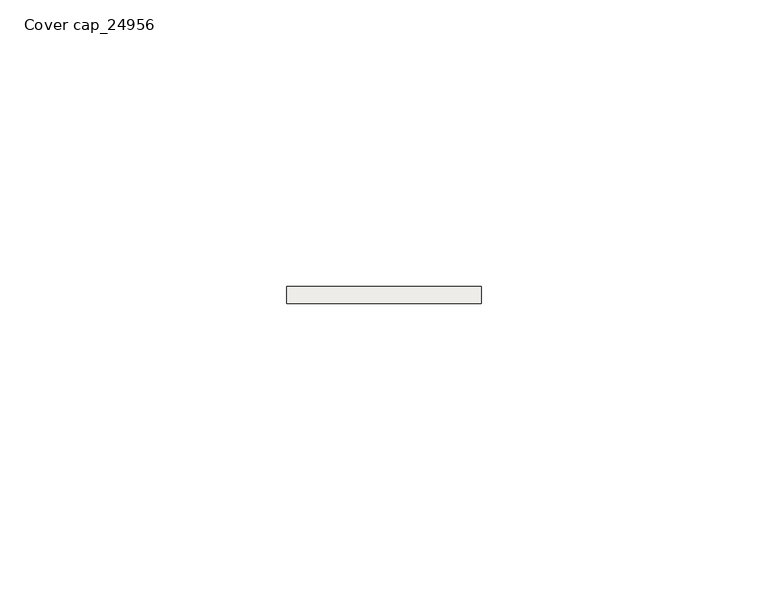
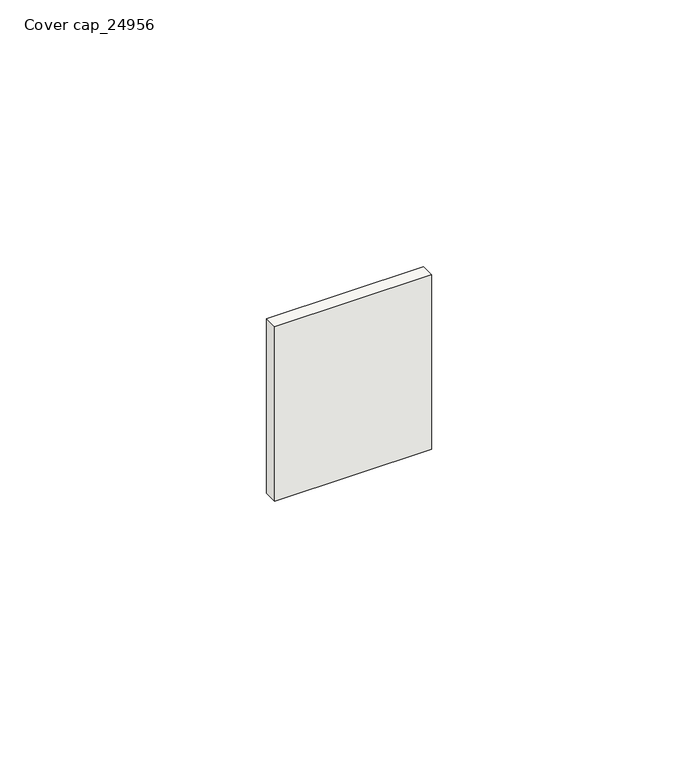
"""IFC4 building model written with IfcOpenShell, lengths in millimetres: covering geometry, Cover cap_24956."""

from ifc_helpers import new_model, si_unit, frame, origin, place, context, project, spatial, polyline, outline, extrude, source, transform, mapped, element, save


def cover_cap_24956_4b2c46a5(model_context):
    return source(origin(), model_context, "Body", "SweptSolid", [
        extrude(outline(polyline([(34.0, 0.0), (0.0, 0.0), (0.0, 3.0), (34.0, 3.0), (34.0, 0.0)])), frame((0.0, 0.0, 2.0), z_axis=(0.0, 0.0, 1.0), x_axis=(1.0, 0.0, 0.0)), (0.0, 0.0, 1.0), 40.0),
    ])


if __name__ == "__main__":
    model = new_model("IFC4")
    model_context = context("Model", 3, world=origin())
    ifc_project = project(units=[si_unit("LENGTHUNIT", "METRE", prefix="MILLI")], contexts=[model_context])
    site = spatial("IfcSite", under=ifc_project)
    building = spatial("IfcBuilding", under=site)
    placement = place(None, origin())
    cover_cap_24956_shape = cover_cap_24956_4b2c46a5(model_context)
    element("IfcCovering", 1, ObjectType="Cover cap_24956", at=placement, inside=building, context=model_context, shape_type="MappedRepresentation", body=[
        mapped(cover_cap_24956_shape, transform((0.0, 0.0, 0.0), x_axis=(1.0, 0.0, 0.0), y_axis=(0.0, 1.0, 0.0), z_axis=(0.0, 0.0, 1.0))),
    ])
    save(model, "model.ifc")
